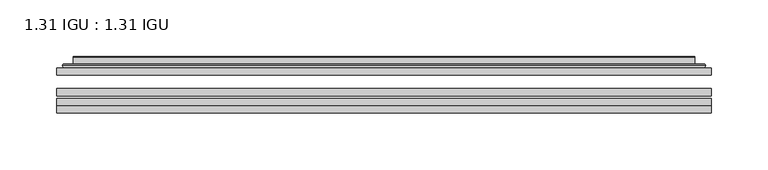
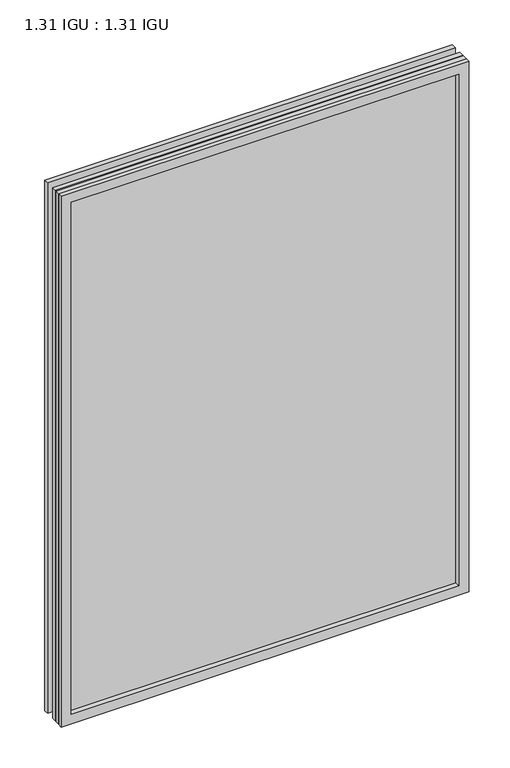
"""IFC4 building model written with IfcOpenShell, lengths in millimetres: plate geometry, 1.31 IGU : 1.31 IGU."""

from ifc_helpers import new_model, si_unit, frame, origin, place, context, project, spatial, polyline, ellipse_curve, outline, extrude, faceted_brep, source, transform, mapped, element, save
from ifc_brep_helpers import plane_surface, cylinder_surface, advanced_brep


def plate_1_31_igu_1_31_igu_918aa4f7(model_context):
    return source(origin(), model_context, "Body", "SolidModel", [
        extrude(outline(polyline([(287.351675, -63.59525), (287.351675, -69.94525), (-287.3375, -69.94525), (-287.3375, -63.59525), (287.351675, -63.59525)])), frame((0.0, 0.0, -14.2875), z_axis=(0.0, 0.0, 1.0), x_axis=(1.0, 0.0, 0.0)), (0.0, 0.0, 1.0), 790.6015278),
        extrude(outline(polyline([(-287.3375, -78.58125), (-287.3375, -72.230745), (287.351675, -72.230745), (287.351675, -78.58125), (-287.3375, -78.58125)])), frame((0.0, 0.0, -14.2875), z_axis=(0.0, 0.0, 1.0), x_axis=(1.0, 0.0, 0.0)), (0.0, 0.0, 1.0), 790.6015278),
        extrude(outline(polyline([(287.351675, -45.25645), (287.351675, -51.60645), (-287.3375, -51.60645), (-287.3375, -45.25645), (287.351675, -45.25645)])), frame((0.0, 0.0, -14.2875), z_axis=(0.0, 0.0, 1.0), x_axis=(1.0, 0.0, 0.0)), (0.0, 0.0, 1.0), 790.6015278),
        faceted_brep([(-287.3502, -84.93125, 776.3229299), (-287.3502, -78.58125, 776.3229299), (-287.3502, -78.58125, -14.3002), (-287.3502, -84.93125, -14.3002), (287.3502, -78.58125, -14.3002), (287.3502, -84.93125, -14.3002), (287.3502, -78.58125, 776.3229299), (287.3502, -84.93125, 776.3229299), (-272.1522559, -78.58125, 0.8977441), (272.1522559, -78.58125, 0.8977441), (272.1522559, -78.58125, 761.1249858), (-272.1522559, -78.58125, 761.1249858), (-273.0446902, -84.93125, 762.0174201), (273.0446902, -84.93125, 762.0174201), (273.0446902, -84.93125, 0.0053098), (-273.0446902, -84.93125, 0.0053098)], [[[0, 1, 2, 3]], [[3, 2, 4, 5]], [[5, 4, 6, 7]], [[1, 6, 4, 2], [8, 9, 10, 11]], [[7, 6, 1, 0]], [[3, 5, 7, 0], [12, 13, 14, 15]], [[11, 12, 15, 8]], [[8, 15, 14, 9]], [[9, 14, 13, 10]], [[10, 13, 12, 11]]]),
        advanced_brep(
        [(-280.096219, -45.25645, 769.0689489), (-282.4504244, -43.2667833, 771.4231543), (-282.4504244, -43.2667833, -9.4004244), (-280.096219, -45.25645, -7.046219), (-271.0218939, -41.416413, 759.9946238), (-266.0870621, -45.25645, 755.0597919), (-266.0870621, -45.25645, 6.9629379), (-271.0218939, -41.416413, 2.0281061), (-272.0539217, -36.0191819, 761.0266515), (-272.0539217, -36.0191819, 0.9960783), (-273.0445784, -35.6202069, 762.0173083), (-273.0445784, -35.6202069, 0.0054216), (-273.0445784, -42.08145, 762.0173083), (-273.0445784, -42.08145, 0.0054216), (-281.4486349, -42.08145, 770.4213648), (-281.4486349, -42.08145, -8.3986349), (282.4504244, -43.2667833, -9.4004244), (280.096219, -45.25645, -7.046219), (266.0870621, -45.25645, 6.9629379), (271.0218939, -41.416413, 2.0281061), (272.0539217, -36.0191819, 0.9960783), (273.0445784, -35.6202069, 0.0054216), (273.0445784, -42.08145, 0.0054216), (281.4486349, -42.08145, -8.3986349), (282.4504244, -43.2667833, 771.4231543), (280.096219, -45.25645, 769.0689489), (266.0870621, -45.25645, 755.0597919), (271.0218939, -41.416413, 759.9946238), (272.0539217, -36.0191819, 761.0266515), (273.0445784, -35.6202069, 762.0173083), (273.0445784, -42.08145, 762.0173083), (281.4486349, -42.08145, 770.4213648)],
        [
            (0, 1, ellipse_curve(frame((-280.096219, -42.86885, 769.0689489), z_axis=(-0.7071067811865475, 0.0, -0.7071067811865475), x_axis=(-0.7071067811865474, 0.0, 0.7071067811865476)), 3.3765763, 2.3876)),
            (1, 2),
            (2, 3, ellipse_curve(frame((-280.096219, -42.86885, -7.046219), z_axis=(-0.7071067811865475, 0.0, 0.7071067811865475), x_axis=(0.7071067811865474, 0.0, 0.7071067811865476)), 3.3765763, 2.3876)),
            (3, 0),
            (4, 5),
            (5, 6),
            (6, 7),
            (7, 4),
            (8, 4),
            (7, 9),
            (9, 8),
            (10, 8, ellipse_curve(frame((-272.6776219, -36.1384423, 761.6503517), z_axis=(-0.7071067811865475, 0.0, -0.7071067811865475), x_axis=(-0.7071067811865474, 0.0, 0.7071067811865476)), 0.8980256, 0.635)),
            (9, 11, ellipse_curve(frame((-272.6776219, -36.1384423, 0.3723781), z_axis=(-0.7071067811865475, 0.0, 0.7071067811865475), x_axis=(0.7071067811865474, 0.0, 0.7071067811865476)), 0.8980256, 0.635)),
            (11, 10),
            (12, 10),
            (11, 13),
            (13, 12),
            (1, 14, ellipse_curve(frame((-281.4486349, -43.09745, 770.4213648), z_axis=(-0.7071067811865475, 0.0, -0.7071067811865475), x_axis=(-0.7071067811865474, 0.0, 0.7071067811865476)), 1.436841, 1.016)),
            (14, 15),
            (15, 2, ellipse_curve(frame((-281.4486349, -43.09745, -8.3986349), z_axis=(-0.7071067811865475, 0.0, 0.7071067811865475), x_axis=(0.7071067811865474, 0.0, 0.7071067811865476)), 1.436841, 1.016)),
            (2, 16),
            (16, 17, ellipse_curve(frame((280.096219, -42.86885, -7.046219), z_axis=(-0.7071067811865475, 0.0, -0.7071067811865475), x_axis=(-0.7071067811865476, 0.0, 0.7071067811865474)), 3.3765763, 2.3876)),
            (17, 3),
            (6, 18),
            (18, 19),
            (19, 7),
            (19, 20),
            (20, 9),
            (20, 21, ellipse_curve(frame((272.6776219, -36.1384423, 0.3723781), z_axis=(-0.7071067811865475, 0.0, -0.7071067811865475), x_axis=(-0.7071067811865476, 0.0, 0.7071067811865474)), 0.8980256, 0.635)),
            (21, 11),
            (21, 22),
            (22, 13),
            (15, 23),
            (23, 16, ellipse_curve(frame((281.4486349, -43.09745, -8.3986349), z_axis=(-0.7071067811865475, 0.0, -0.7071067811865475), x_axis=(-0.7071067811865476, 0.0, 0.7071067811865474)), 1.436841, 1.016)),
            (16, 24),
            (24, 25, ellipse_curve(frame((280.096219, -42.86885, 769.0689489), z_axis=(0.7071067811865475, 0.0, -0.7071067811865475), x_axis=(-0.7071067811865474, 0.0, -0.7071067811865476)), 3.3765763, 2.3876)),
            (25, 17),
            (18, 26),
            (26, 27),
            (27, 19),
            (27, 28),
            (28, 20),
            (28, 29, ellipse_curve(frame((272.6776219, -36.1384423, 761.6503517), z_axis=(0.7071067811865475, 0.0, -0.7071067811865475), x_axis=(-0.7071067811865474, 0.0, -0.7071067811865476)), 0.8980256, 0.635)),
            (29, 21),
            (29, 30),
            (30, 22),
            (23, 31),
            (31, 24, ellipse_curve(frame((281.4486349, -43.09745, 770.4213648), z_axis=(0.7071067811865475, 0.0, -0.7071067811865475), x_axis=(-0.7071067811865474, 0.0, -0.7071067811865476)), 1.436841, 1.016)),
            (24, 1),
            (0, 25),
            (5, 26),
            (4, 27),
            (8, 28),
            (10, 29),
            (12, 30),
            (14, 31),
        ],
        [
            cylinder_surface(frame((-280.096219, -42.86885, 793.7727299), z_axis=(0.0, 0.0, 1.0), x_axis=(-1.0, 0.0, 0.0)), 2.3876),
            plane_surface(frame((-266.0870621, -45.25645, 755.0597919), z_axis=(0.6141233906514794, 0.7892100234124821, 0.0), x_axis=(0.0, 0.0, -1.0))),
            plane_surface(frame((-271.0218939, -41.416413, 759.9946238), z_axis=(0.9822050625507729, 0.18781164793386076, 0.0), x_axis=(0.0, 0.0, -1.0))),
            cylinder_surface(frame((-272.6776219, -36.1384423, 793.7727299), z_axis=(0.0, 0.0, 1.0), x_axis=(-1.0, 0.0, 0.0)), 0.635),
            plane_surface(frame((-273.0445784, -35.6202069, 762.0173083), z_axis=(-1.0, 0.0, 0.0), x_axis=(0.0, 0.0, -1.0))),
            cylinder_surface(frame((-281.4486349, -43.09745, 793.7727299), z_axis=(0.0, 0.0, 1.0), x_axis=(-1.0, 0.0, 0.0)), 1.016),
            cylinder_surface(frame((-304.8, -42.86885, -7.046219), z_axis=(-1.0, 0.0, 0.0), x_axis=(0.0, 0.0, -1.0)), 2.3876),
            plane_surface(frame((-266.0870621, -45.25645, 6.9629379), z_axis=(0.0, 0.7892100234124841, 0.6141233906514768), x_axis=(1.0, 0.0, 0.0))),
            plane_surface(frame((-271.0218939, -41.416413, 2.0281061), z_axis=(0.0, 0.18781164793386393, 0.9822050625507723), x_axis=(1.0, 0.0, 0.0))),
            cylinder_surface(frame((-304.8, -36.1384423, 0.3723781), z_axis=(-1.0, 0.0, 0.0), x_axis=(0.0, 0.0, -1.0)), 0.635),
            plane_surface(frame((-273.0445784, -35.6202069, 0.0054216), z_axis=(0.0, 0.0, -1.0), x_axis=(1.0, 0.0, 0.0))),
            cylinder_surface(frame((-304.8, -43.09745, -8.3986349), z_axis=(-1.0, 0.0, 0.0), x_axis=(0.0, 0.0, -1.0)), 1.016),
            cylinder_surface(frame((280.096219, -42.86885, -31.75), z_axis=(0.0, 0.0, -1.0), x_axis=(1.0, 0.0, 0.0)), 2.3876),
            plane_surface(frame((266.0870621, -45.25645, 6.9629379), z_axis=(-0.6141233906514743, 0.7892100234124861, 0.0), x_axis=(0.0, 0.0, 1.0))),
            plane_surface(frame((271.0218939, -41.416413, 2.0281061), z_axis=(-0.9822050625507718, 0.1878116479338671, 0.0), x_axis=(0.0, 0.0, 1.0))),
            cylinder_surface(frame((272.6776219, -36.1384423, -31.75), z_axis=(0.0, 0.0, -1.0), x_axis=(1.0, 0.0, 0.0)), 0.635),
            plane_surface(frame((273.0445784, -35.6202069, 0.0054216), z_axis=(1.0, 0.0, 0.0), x_axis=(0.0, 0.0, 1.0))),
            cylinder_surface(frame((281.4486349, -43.09745, -31.75), z_axis=(0.0, 0.0, -1.0), x_axis=(1.0, 0.0, 0.0)), 1.016),
            cylinder_surface(frame((304.8, -42.86885, 769.0689489), z_axis=(1.0, 0.0, 0.0), x_axis=(0.0, 0.0, 1.0)), 2.3876),
            plane_surface(frame((280.096219, -45.25645, 769.0689489), z_axis=(0.0, -1.0, 0.0), x_axis=(-1.0, 0.0, 0.0))),
            plane_surface(frame((266.0870621, -45.25645, 755.0597919), z_axis=(0.0, 0.7892100234124841, -0.6141233906514768), x_axis=(-1.0, 0.0, 0.0))),
            plane_surface(frame((271.0218939, -41.416413, 759.9946238), z_axis=(0.0, 0.18781164793386393, -0.9822050625507723), x_axis=(-1.0, 0.0, 0.0))),
            cylinder_surface(frame((304.8, -36.1384423, 761.6503517), z_axis=(1.0, 0.0, 0.0), x_axis=(0.0, 0.0, 1.0)), 0.635),
            plane_surface(frame((273.0445784, -35.6202069, 762.0173083), z_axis=(0.0, 0.0, 1.0), x_axis=(-1.0, 0.0, 0.0))),
            plane_surface(frame((273.0445784, -42.08145, 762.0173083), z_axis=(0.0, 1.0, 0.0), x_axis=(-1.0, 0.0, 0.0))),
            cylinder_surface(frame((304.8, -43.09745, 770.4213648), z_axis=(1.0, 0.0, 0.0), x_axis=(0.0, 0.0, 1.0)), 1.016),
        ],
        [
            (0, [[1, 2, 3, 4]]),
            (1, [[5, 6, 7, 8]]),
            (2, [[9, -8, 10, 11]]),
            (3, [[12, -11, 13, 14]]),
            (4, [[15, -14, 16, 17]]),
            (5, [[18, 19, 20, -2]]),
            (6, [[-3, 21, 22, 23]]),
            (7, [[-7, 24, 25, 26]]),
            (8, [[-10, -26, 27, 28]]),
            (9, [[-13, -28, 29, 30]]),
            (10, [[-16, -30, 31, 32]]),
            (11, [[-20, 33, 34, -21]]),
            (12, [[-22, 35, 36, 37]]),
            (13, [[-25, 38, 39, 40]]),
            (14, [[-27, -40, 41, 42]]),
            (15, [[-29, -42, 43, 44]]),
            (16, [[-31, -44, 45, 46]]),
            (17, [[-34, 47, 48, -35]]),
            (18, [[-36, 49, -1, 50]]),
            (19, [[-23, -37, -50, -4], [51, -38, -24, -6]]),
            (20, [[-39, -51, -5, 52]]),
            (21, [[-41, -52, -9, 53]]),
            (22, [[-43, -53, -12, 54]]),
            (23, [[-45, -54, -15, 55]]),
            (24, [[56, -47, -33, -19], [-32, -46, -55, -17]]),
            (25, [[-48, -56, -18, -49]]),
        ],
    ),
    ])


if __name__ == "__main__":
    model = new_model("IFC4")
    model_context = context("Model", 3, world=origin())
    ifc_project = project(units=[si_unit("LENGTHUNIT", "METRE", prefix="MILLI")], contexts=[model_context])
    site = spatial("IfcSite", under=ifc_project)
    building = spatial("IfcBuilding", under=site)
    placement = place(None, origin())
    plate_1_31_igu_1_31_igu_shape = plate_1_31_igu_1_31_igu_918aa4f7(model_context)
    element("IfcPlate", 1, ObjectType="1.31 IGU : 1.31 IGU", at=placement, inside=building, context=model_context, shape_type="MappedRepresentation", body=[
        mapped(plate_1_31_igu_1_31_igu_shape, transform((0.0, 0.0, 0.0), x_axis=(1.0, 0.0, 0.0), y_axis=(0.0, 1.0, 0.0), z_axis=(0.0, 0.0, 1.0))),
    ])
    save(model, "model.ifc")
